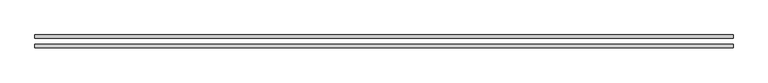
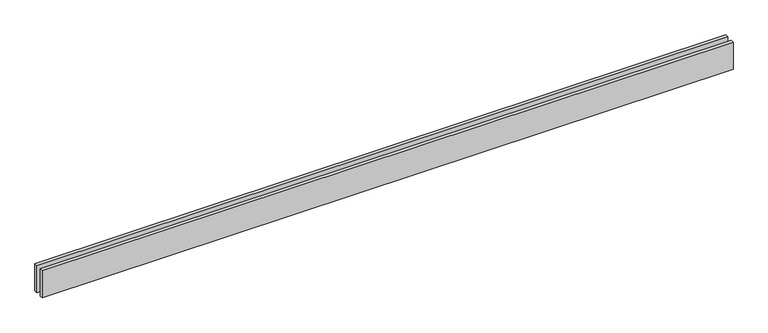
"""IFC4 building model written with IfcOpenShell, lengths in millimetres: proxy geometry."""

from ifc_helpers import new_model, si_unit, origin, origin_with_axes, place, context, project, spatial, polyline, outline, extrude, source, transform, mapped, element, save


def generic_models_9a6dea7b(model_context):
    return source(origin(), model_context, "Body", "SweptSolid", [
        extrude(outline(polyline([(6039.7683887, -25.0), (6039.7683887, -55.0), (0.0, -55.0), (0.0, -25.0), (6039.7683887, -25.0)])), origin_with_axes(), (0.0, 0.0, 1.0), 250.0),
        extrude(outline(polyline([(6039.7683887, 55.0), (6039.7683887, 25.0), (0.0, 25.0), (0.0, 55.0), (6039.7683887, 55.0)])), origin_with_axes(), (0.0, 0.0, 1.0), 250.0),
    ])


if __name__ == "__main__":
    model = new_model("IFC4")
    model_context = context("Model", 3, world=origin())
    ifc_project = project(units=[si_unit("LENGTHUNIT", "METRE", prefix="MILLI")], contexts=[model_context])
    site = spatial("IfcSite", under=ifc_project)
    building = spatial("IfcBuilding", under=site)
    placement = place(None, origin())
    generic_models_shape = generic_models_9a6dea7b(model_context)
    element("IfcBuildingElementProxy", 1, Name="Generic Models", at=placement, inside=building, context=model_context, shape_type="MappedRepresentation", body=[
        mapped(generic_models_shape, transform((0.0, 0.0, 0.0), x_axis=(1.0, 0.0, 0.0), y_axis=(0.0, 1.0, 0.0), z_axis=(0.0, 0.0, 1.0))),
    ])
    save(model, "model.ifc")
